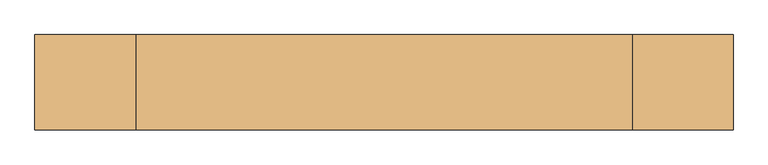
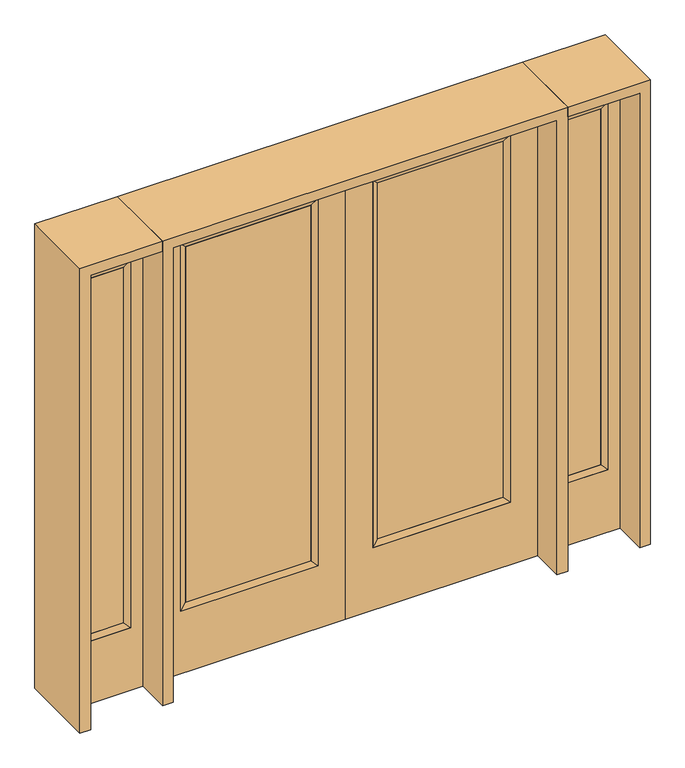
"""IFC4 building model written with IfcOpenShell, lengths in millimetres: door geometry."""

from ifc_helpers import new_model, si_unit, frame, origin, place, context, project, spatial, polyline, outline, extrude, faceted_brep, source, transform, mapped, element, save


def door_8b826364(model_context):
    return source(origin(), model_context, "Body", "SolidModel", [
        extrude(outline(polyline([(140.8176, -12.7039749), (140.8176, 14.2875), (671.9824, 14.2875), (671.9824, -12.7039749), (140.8176, -12.7039749)])), frame((0.0, 0.0, 304.8), z_axis=(0.0, 0.0, 1.0), x_axis=(1.0, 0.0, 0.0)), (0.0, 0.0, 1.0), 1590.675),
        faceted_brep([(140.8176, 14.2875, 1895.475), (140.8176, 14.2875, 304.8), (115.4176, 22.225, 279.4), (115.4176, 22.225, 1920.875), (115.4176, -22.225, 279.4), (115.4176, -22.225, 1920.875), (671.9824, 14.2875, 304.8), (697.3824, 22.225, 279.4), (140.8176, -12.7039749, 1895.475), (140.8176, -12.7039749, 304.8), (671.9824, -12.7039749, 304.8), (697.3824, -22.225, 279.4), (671.9824, 14.2875, 1895.475), (697.3824, 22.225, 1920.875), (671.9824, -12.7039749, 1895.475), (697.3824, -22.225, 1920.875)], [[[0, 1, 2, 3]], [[3, 2, 4, 5]], [[1, 6, 7, 2]], [[8, 9, 1, 0]], [[9, 10, 6, 1]], [[5, 4, 9, 8]], [[4, 11, 10, 9]], [[2, 7, 11, 4]], [[6, 12, 13, 7]], [[10, 14, 12, 6]], [[11, 15, 14, 10]], [[7, 13, 15, 11]], [[12, 0, 3, 13]], [[14, 8, 0, 12]], [[15, 5, 8, 14]], [[13, 3, 5, 15]]]),
        extrude(outline(polyline([(0.0, 812.8), (2032.0, 812.8), (2032.0, 0.0), (0.0, 0.0), (0.0, 812.8)]), holes=[polyline([(279.4, 697.3824), (279.4, 115.4176), (1920.875, 115.4176), (1920.875, 697.3824), (279.4, 697.3824)])]), frame((0.0, -22.225, 0.0), z_axis=(0.0, 1.0, 0.0), x_axis=(0.0, 0.0, 1.0)), (0.0, 0.0, 1.0), 44.45),
        extrude(outline(polyline([(-140.8176, -12.7039749), (-671.9824, -12.7039749), (-671.9824, 14.2875), (-140.8176, 14.2875), (-140.8176, -12.7039749)])), frame((0.0, 0.0, 304.8), z_axis=(0.0, 0.0, 1.0), x_axis=(1.0, 0.0, 0.0)), (0.0, 0.0, 1.0), 1590.675),
        faceted_brep([(-140.8176, 14.2875, 1895.475), (-115.4176, 22.225, 1920.875), (-115.4176, 22.225, 279.4), (-140.8176, 14.2875, 304.8), (-115.4176, -22.225, 1920.875), (-115.4176, -22.225, 279.4), (-697.3824, 22.225, 279.4), (-671.9824, 14.2875, 304.8), (-140.8176, -12.7039749, 1895.475), (-140.8176, -12.7039749, 304.8), (-671.9824, -12.7039749, 304.8), (-697.3824, -22.225, 279.4), (-697.3824, 22.225, 1920.875), (-671.9824, 14.2875, 1895.475), (-671.9824, -12.7039749, 1895.475), (-697.3824, -22.225, 1920.875)], [[[0, 1, 2, 3]], [[1, 4, 5, 2]], [[3, 2, 6, 7]], [[8, 0, 3, 9]], [[9, 3, 7, 10]], [[4, 8, 9, 5]], [[5, 9, 10, 11]], [[2, 5, 11, 6]], [[7, 6, 12, 13]], [[10, 7, 13, 14]], [[11, 10, 14, 15]], [[6, 11, 15, 12]], [[13, 12, 1, 0]], [[14, 13, 0, 8]], [[15, 14, 8, 4]], [[12, 15, 4, 1]]]),
        extrude(outline(polyline([(0.0, -812.8), (0.0, 0.0), (2032.0, 0.0), (2032.0, -812.8), (0.0, -812.8)]), holes=[polyline([(279.4, -697.3824), (1920.875, -697.3824), (1920.875, -115.4176), (279.4, -115.4176), (279.4, -697.3824)])]), frame((0.0, -22.225, 0.0), z_axis=(0.0, 1.0, 0.0), x_axis=(0.0, 0.0, 1.0)), (0.0, 0.0, 1.0), 44.45),
        faceted_brep([(908.05, 20.6375, 1920.875), (908.05, 20.6375, 279.4), (908.05, -20.6375, 279.4), (908.05, -20.6375, 1920.875), (933.45, -12.7, 304.8), (933.45, -12.7, 1895.475), (1111.25, 20.6375, 279.4), (1111.25, -20.6375, 279.4), (933.45, 12.7, 1895.475), (933.45, 12.7, 304.8), (1085.85, 12.7, 304.8), (1085.85, -12.7, 304.8), (1111.25, 20.6375, 1920.875), (1111.25, -20.6375, 1920.875), (1085.85, 12.7, 1895.475), (1085.85, -12.7, 1895.475)], [[[0, 1, 2, 3]], [[3, 2, 4, 5]], [[1, 6, 7, 2]], [[8, 9, 1, 0]], [[9, 10, 6, 1]], [[5, 4, 9, 8]], [[4, 11, 10, 9]], [[2, 7, 11, 4]], [[6, 12, 13, 7]], [[10, 14, 12, 6]], [[11, 15, 14, 10]], [[7, 13, 15, 11]], [[12, 0, 3, 13]], [[14, 8, 0, 12]], [[15, 5, 8, 14]], [[13, 3, 5, 15]]]),
        extrude(outline(polyline([(0.0, 1162.05), (2032.0, 1162.05), (2032.0, 857.25), (0.0, 857.25), (0.0, 1162.05)]), holes=[polyline([(1920.875, 908.05), (1920.875, 1111.25), (279.4, 1111.25), (279.4, 908.05), (1920.875, 908.05)])]), frame((0.0, -20.6375, 0.0), z_axis=(0.0, 1.0, 0.0), x_axis=(0.0, 0.0, 1.0)), (0.0, 0.0, 1.0), 41.275),
        extrude(outline(polyline([(933.45, -12.7), (933.45, 12.7), (1085.85, 12.7), (1085.85, -12.7), (933.45, -12.7)])), frame((0.0, 0.0, 304.8), z_axis=(0.0, 0.0, 1.0), x_axis=(1.0, 0.0, 0.0)), (0.0, 0.0, 1.0), 1590.675),
        faceted_brep([(-908.05, 20.6375, 1920.875), (-908.05, -20.6375, 1920.875), (-908.05, -20.6375, 279.4), (-908.05, 20.6375, 279.4), (-933.45, -12.7, 1895.475), (-933.45, -12.7, 304.8), (-1111.25, -20.6375, 279.4), (-1111.25, 20.6375, 279.4), (-933.45, 12.7, 1895.475), (-933.45, 12.7, 304.8), (-1085.85, 12.7, 304.8), (-1085.85, -12.7, 304.8), (-1111.25, -20.6375, 1920.875), (-1111.25, 20.6375, 1920.875), (-1085.85, 12.7, 1895.475), (-1085.85, -12.7, 1895.475)], [[[0, 1, 2, 3]], [[1, 4, 5, 2]], [[3, 2, 6, 7]], [[8, 0, 3, 9]], [[9, 3, 7, 10]], [[4, 8, 9, 5]], [[5, 9, 10, 11]], [[2, 5, 11, 6]], [[7, 6, 12, 13]], [[10, 7, 13, 14]], [[11, 10, 14, 15]], [[6, 11, 15, 12]], [[13, 12, 1, 0]], [[14, 13, 0, 8]], [[15, 14, 8, 4]], [[12, 15, 4, 1]]]),
        extrude(outline(polyline([(0.0, -1162.05), (0.0, -857.25), (2032.0, -857.25), (2032.0, -1162.05), (0.0, -1162.05)]), holes=[polyline([(1920.875, -908.05), (279.4, -908.05), (279.4, -1111.25), (1920.875, -1111.25), (1920.875, -908.05)])]), frame((0.0, -20.6375, 0.0), z_axis=(0.0, 1.0, 0.0), x_axis=(0.0, 0.0, 1.0)), (0.0, 0.0, 1.0), 41.275),
        extrude(outline(polyline([(-933.45, -12.7), (-1085.85, -12.7), (-1085.85, 12.7), (-933.45, 12.7), (-933.45, -12.7)])), frame((0.0, 0.0, 304.8), z_axis=(0.0, 0.0, 1.0), x_axis=(1.0, 0.0, 0.0)), (0.0, 0.0, 1.0), 1590.675),
        extrude(outline(polyline([(2032.0, -857.25), (2076.45, -857.25), (2076.45, -1206.5), (0.0, -1206.5), (0.0, -1162.05), (2032.0, -1162.05), (2032.0, -857.25)])), frame((0.0, -165.1, 0.0), z_axis=(0.0, 1.0, 0.0), x_axis=(0.0, 0.0, 1.0)), (0.0, 0.0, 1.0), 330.2),
        extrude(outline(polyline([(2076.45, -857.25), (0.0, -857.25), (0.0, -812.8), (2032.0, -812.8), (2032.0, 812.8), (0.0, 812.8), (0.0, 857.25), (2076.45, 857.25), (2076.45, -857.25)])), frame((0.0, -165.1, 0.0), z_axis=(0.0, 1.0, 0.0), x_axis=(0.0, 0.0, 1.0)), (0.0, 0.0, 1.0), 330.2),
        extrude(outline(polyline([(0.0, 1162.05), (0.0, 1206.5), (2076.45, 1206.5), (2076.45, 857.25), (2032.0, 857.25), (2032.0, 1162.05), (0.0, 1162.05)])), frame((0.0, -165.1, 0.0), z_axis=(0.0, 1.0, 0.0), x_axis=(0.0, 0.0, 1.0)), (0.0, 0.0, 1.0), 330.2),
    ])


if __name__ == "__main__":
    model = new_model("IFC4")
    model_context = context("Model", 3, world=origin())
    ifc_project = project(units=[si_unit("LENGTHUNIT", "METRE", prefix="MILLI")], contexts=[model_context])
    site = spatial("IfcSite", under=ifc_project)
    building = spatial("IfcBuilding", under=site)
    placement = place(None, origin())
    door_shape = door_8b826364(model_context)
    element("IfcDoor", 1, at=placement, inside=building, context=model_context, shape_type="MappedRepresentation", body=[
        mapped(door_shape, transform((0.0, 0.0, 0.0), x_axis=(1.0, 0.0, 0.0), y_axis=(0.0, 1.0, 0.0), z_axis=(0.0, 0.0, 1.0))),
    ])
    save(model, "model.ifc")
